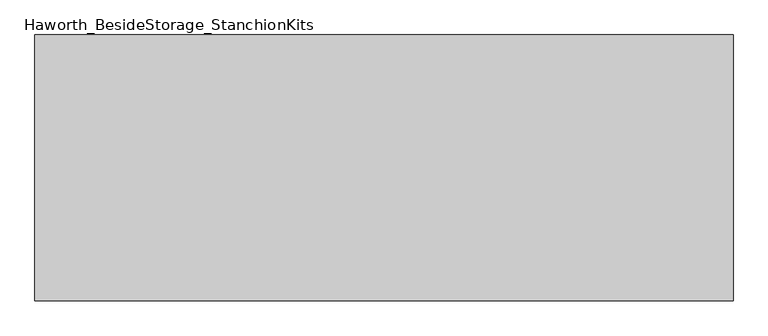
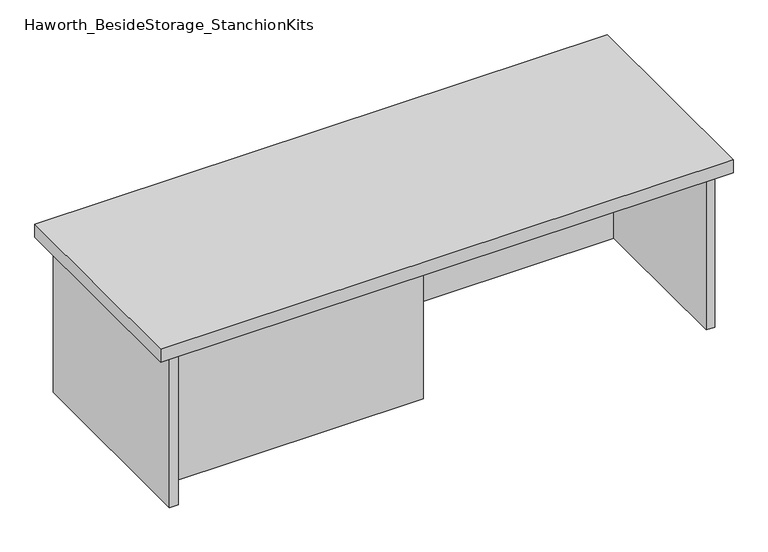
"""IFC4 building model written with IfcOpenShell, lengths in millimetres: furniture geometry, Haworth_BesideStorage_StanchionKits."""

from ifc_helpers import new_model, si_unit, frame, origin, place, context, project, spatial, polyline, outline, extrude, source, transform, mapped, element, save


def haworth_besidestorage_stanchionkits_02e6fce3(model_context):
    return source(origin(), model_context, "Body", "SweptSolid", [
        extrude(outline(polyline([(695.325, 0.0), (695.325, -406.4), (-371.475, -406.4), (-371.475, 0.0), (695.325, 0.0)])), frame((0.0, 0.0, 736.6), z_axis=(0.0, 0.0, 1.0), x_axis=(1.0, 0.0, 0.0)), (0.0, 0.0, 1.0), 25.4),
        extrude(outline(polyline([(161.925, -76.2), (654.05, -76.2), (654.05, -92.075), (161.925, -92.075), (161.925, -76.2)])), frame((0.0, 0.0, 431.8), z_axis=(0.0, 0.0, 1.0), x_axis=(1.0, 0.0, 0.0)), (0.0, 0.0, 1.0), 304.8),
        extrude(outline(polyline([(161.925, -314.325), (161.925, -330.2), (-330.2, -330.2), (-330.2, -314.325), (161.925, -314.325)])), frame((0.0, 0.0, 431.8), z_axis=(0.0, 0.0, 1.0), x_axis=(1.0, 0.0, 0.0)), (0.0, 0.0, 1.0), 304.8),
        extrude(outline(polyline([(669.925, -390.525), (654.05, -390.525), (654.05, -15.875), (669.925, -15.875), (669.925, -390.525)])), frame((0.0, 0.0, 431.8), z_axis=(0.0, 0.0, 1.0), x_axis=(1.0, 0.0, 0.0)), (0.0, 0.0, 1.0), 304.8),
        extrude(outline(polyline([(-330.2, -390.525), (-346.075, -390.525), (-346.075, -15.875), (-330.2, -15.875), (-330.2, -390.525)])), frame((0.0, 0.0, 431.8), z_axis=(0.0, 0.0, 1.0), x_axis=(1.0, 0.0, 0.0)), (0.0, 0.0, 1.0), 304.8),
    ])


if __name__ == "__main__":
    model = new_model("IFC4")
    model_context = context("Model", 3, world=origin())
    ifc_project = project(units=[si_unit("LENGTHUNIT", "METRE", prefix="MILLI")], contexts=[model_context])
    site = spatial("IfcSite", under=ifc_project)
    building = spatial("IfcBuilding", under=site)
    placement = place(None, origin())
    haworth_besidestorage_stanchionkits_shape = haworth_besidestorage_stanchionkits_02e6fce3(model_context)
    element("IfcFurniture", 1, ObjectType="Haworth_BesideStorage_StanchionKits", at=placement, inside=building, context=model_context, shape_type="MappedRepresentation", body=[
        mapped(haworth_besidestorage_stanchionkits_shape, transform((0.0, 0.0, 0.0), x_axis=(1.0, 0.0, 0.0), y_axis=(0.0, 1.0, 0.0), z_axis=(0.0, 0.0, 1.0))),
    ])
    save(model, "model.ifc")
